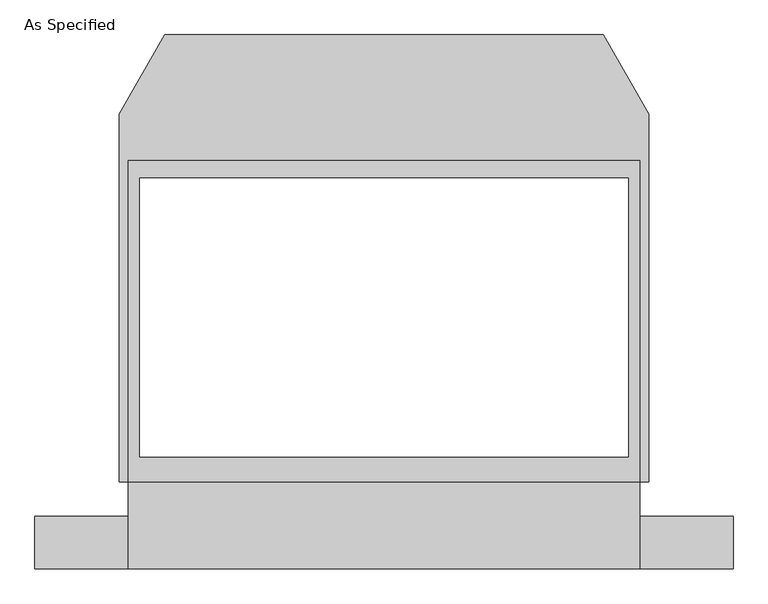
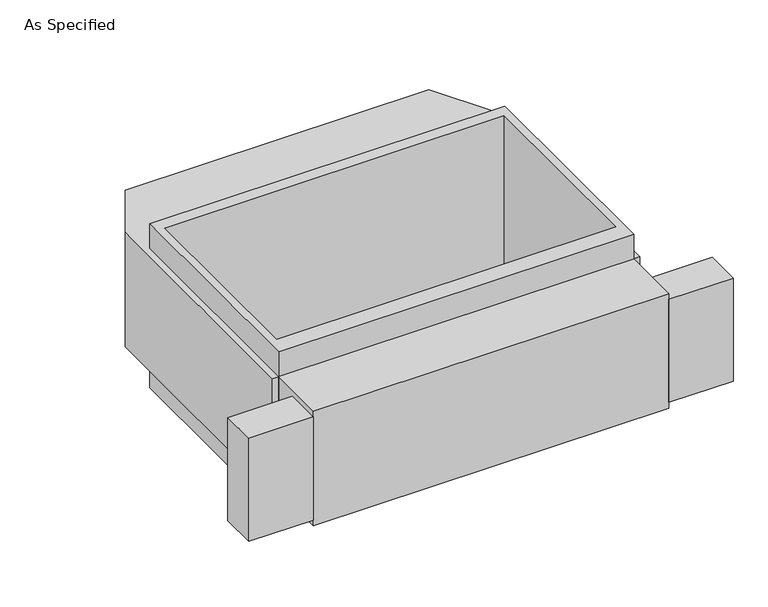
"""IFC4 building model written with IfcOpenShell, lengths in millimetres: proxy geometry, As Specified."""

import ifcopenshell
import ifcopenshell.guid

model = None  # the IFC model being written
_history = None  # IfcOwnerHistory: only IFC2X3 demands one
_inside = {}  # id of a spatial element -> (the spatial element, [elements in it])
_under = {}  # id of a project, library or spatial element -> (it, [spatial elements below it])
_declared = {}  # id of a project -> (the project, [libraries it declares])
_typed = {}  # id of a type object -> (the type object, [elements of that type])
_made_of = {}  # id of a material, layer set ... -> (it, [elements and type objects made of it])


def new_model(schema):
    """Start an empty IFC model of exactly this schema.

    Asked for "IFC4X3", IfcOpenShell would pick the latest addendum, in which some entities
    have other attributes; the version numbers below select the first issue.
    IFC2X3 requires an IfcOwnerHistory on every rooted entity: one is made here for all.
    """
    global model, _history
    if schema == "IFC4X3":
        model = ifcopenshell.file(schema_version=(4, 3, 0, 0))
    else:
        model = ifcopenshell.file(schema=schema)
    _inside.clear()
    _under.clear()
    _declared.clear()
    _typed.clear()
    _made_of.clear()
    _history = None
    if model.schema == "IFC2X3":
        org = make("IfcOrganization", Name="unknown")
        user = make(
            "IfcPersonAndOrganization",
            ThePerson=make("IfcPerson", FamilyName="unknown"),
            TheOrganization=org,
        )
        app = make(
            "IfcApplication",
            ApplicationDeveloper=org,
            Version="unknown",
            ApplicationFullName="unknown",
            ApplicationIdentifier="unknown",
        )
        _history = make(
            "IfcOwnerHistory",
            OwningUser=user,
            OwningApplication=app,
            ChangeAction="ADDED",
            CreationDate=0,
        )
    return model


def make(cls, **values):
    """One entity of the class cls with the attributes given. An attribute that is None is left unset."""
    return model.create_entity(
        cls, **{name: value for name, value in values.items() if value is not None}
    )


def rooted(cls, **values):
    """An entity with a GlobalId (a new one), such as an element, a storey or a relation."""
    return make(cls, GlobalId=ifcopenshell.guid.new(), OwnerHistory=_history, **values)


def si_unit(unit_type, name, prefix=None):
    """IfcSIUnit, for example si_unit("LENGTHUNIT", "METRE", prefix="MILLI")."""
    return make("IfcSIUnit", UnitType=unit_type, Prefix=prefix, Name=name)


def assignment(units):
    """IfcUnitAssignment: the units of a project."""
    return None if units is None else make("IfcUnitAssignment", Units=units)


def point(xyz):
    """IfcCartesianPoint."""
    return None if xyz is None else make("IfcCartesianPoint", Coordinates=xyz)


def direction(xyz):
    """IfcDirection."""
    return None if xyz is None else make("IfcDirection", DirectionRatios=xyz)


def frame(location, z_axis=None, x_axis=None):
    """IfcAxis2Placement3D, a coordinate frame: its origin and axes. An axis left out is left unset."""
    return make(
        "IfcAxis2Placement3D",
        Location=point(location),
        Axis=direction(z_axis),
        RefDirection=direction(x_axis),
    )


def origin():
    """The frame at (0, 0, 0) with its axes left unset."""
    return frame((0.0, 0.0, 0.0))


def place(relative_to, where):
    """IfcLocalPlacement: puts the frame where relative to a parent placement (None: the world)."""
    return make(
        "IfcLocalPlacement", PlacementRelTo=relative_to, RelativePlacement=where
    )


def context(
    kind, dimensions, precision=None, world=None, true_north=None, identifier=None
):
    """IfcGeometricRepresentationContext, for example the 3D "Model" context."""
    return make(
        "IfcGeometricRepresentationContext",
        ContextIdentifier=identifier,
        ContextType=kind,
        CoordinateSpaceDimension=dimensions,
        Precision=precision,
        WorldCoordinateSystem=world,
        TrueNorth=true_north,
    )


def project(units=None, contexts=None):
    """IfcProject with its units and contexts."""
    return rooted(
        "IfcProject",
        Name="project",
        RepresentationContexts=contexts,
        UnitsInContext=assignment(units),
    )


def spatial(cls, under=None, at=None, **own):
    """A site, building, storey or space (cls), placed at a placement, below another one or the project."""
    s = rooted(cls, ObjectPlacement=at, **own)
    if under is not None:
        _under.setdefault(under.id(), (under, []))[1].append(s)
    return s


def polyline(points):
    """IfcPolyline through the points."""
    return make("IfcPolyline", Points=[point(p) for p in points])


def outline(outer, holes=None, kind="AREA"):
    """IfcArbitraryClosedProfileDef: a profile drawn as a closed curve; with holes, ...WithVoids."""
    if holes is None:
        return make("IfcArbitraryClosedProfileDef", ProfileType=kind, OuterCurve=outer)
    return make(
        "IfcArbitraryProfileDefWithVoids",
        ProfileType=kind,
        OuterCurve=outer,
        InnerCurves=holes,
    )


def extrude(swept, where, along, depth):
    """IfcExtrudedAreaSolid: the profile swept, set in the frame where, extruded along a direction by depth."""
    return make(
        "IfcExtrudedAreaSolid",
        SweptArea=swept,
        Position=where,
        ExtrudedDirection=direction(along),
        Depth=depth,
    )


def shape(context_of_items, identifier, shape_type, items):
    """IfcShapeRepresentation: the items that make up one representation, for example the "Body"."""
    return make(
        "IfcShapeRepresentation",
        ContextOfItems=context_of_items,
        RepresentationIdentifier=identifier,
        RepresentationType=shape_type,
        Items=items,
    )


def source(mapping_origin, context_of_items, identifier, shape_type, items):
    """IfcRepresentationMap: a shape defined once, which mapped items show again and again."""
    return make(
        "IfcRepresentationMap",
        MappingOrigin=mapping_origin,
        MappedRepresentation=shape(context_of_items, identifier, shape_type, items),
    )


def transform(
    local_origin,
    x_axis=None,
    y_axis=None,
    z_axis=None,
    scale=None,
    scale2=None,
    scale3=None,
    uniform=True,
):
    """IfcCartesianTransformationOperator3D, or its non-uniform kind. x_axis, y_axis, z_axis: its Axis1, 2, 3."""
    if uniform:
        return make(
            "IfcCartesianTransformationOperator3D",
            Axis1=direction(x_axis),
            Axis2=direction(y_axis),
            LocalOrigin=point(local_origin),
            Scale=scale,
            Axis3=direction(z_axis),
        )
    return make(
        "IfcCartesianTransformationOperator3DnonUniform",
        Axis1=direction(x_axis),
        Axis2=direction(y_axis),
        LocalOrigin=point(local_origin),
        Scale=scale,
        Axis3=direction(z_axis),
        Scale2=scale2,
        Scale3=scale3,
    )


def mapped(mapping_source, mapping_target):
    """IfcMappedItem: shows the shape of a source again, moved by a transform."""
    return make(
        "IfcMappedItem", MappingSource=mapping_source, MappingTarget=mapping_target
    )


def made_of(thing, what):
    """Note that an element or type object is made of a material, layer set ...; save() writes the relation."""
    if what is not None:
        _made_of.setdefault(what.id(), (what, []))[1].append(thing)
    return thing


def element(
    cls,
    number,
    at=None,
    inside=None,
    cuts=None,
    type_object=None,
    material=None,
    context=None,
    identifier="Body",
    shape_type=None,
    held_by="IfcProductDefinitionShape",
    body=None,
    shapes=None,
    **own,
):
    """One element of the class cls, such as IfcWall. Its Tag is "e" and its number.

    at: its placement. inside: the storey or other place that contains it. cuts: it is an
    opening in that element (IfcRelVoidsElement). A single representation is given by context,
    identifier, shape_type and body (its items); several are given by shapes. held_by: the class
    of the entity that holds the representations. save() writes the other relations.
    """
    e = rooted(cls, Tag="e%d" % number, ObjectPlacement=at, **own)
    if body is not None:
        shapes = [shape(context, identifier, shape_type, body)]
    if shapes is not None:
        e.Representation = make(held_by, Representations=shapes)
    if inside is not None:
        _inside.setdefault(inside.id(), (inside, []))[1].append(e)
    if cuts is not None:
        rooted(
            "IfcRelVoidsElement", RelatingBuildingElement=cuts, RelatedOpeningElement=e
        )
    if type_object is not None:
        _typed.setdefault(type_object.id(), (type_object, []))[1].append(e)
    return made_of(e, material)


def aggregate(whole, parts):
    """IfcRelAggregates: a whole, such as a stair, and the parts it consists of."""
    return rooted("IfcRelAggregates", RelatingObject=whole, RelatedObjects=parts)


def save(model, path):
    """Write the relations noted so far, then the file.

    IfcRelAggregates (storeys below a building ...), IfcRelContainedInSpatialStructure (elements
    in a storey), IfcRelDefinesByType, IfcRelAssociatesMaterial and IfcRelDeclares: one each for
    every whole, place, type object, material and project.
    """
    for whole, parts in _under.values():
        aggregate(whole, parts)
    for where, things in _inside.values():
        rooted(
            "IfcRelContainedInSpatialStructure",
            RelatedElements=things,
            RelatingStructure=where,
        )
    for kind, things in _typed.values():
        rooted("IfcRelDefinesByType", RelatedObjects=things, RelatingType=kind)
    for what, things in _made_of.values():
        rooted("IfcRelAssociatesMaterial", RelatedObjects=things, RelatingMaterial=what)
    for by, libraries in _declared.values():
        rooted("IfcRelDeclares", RelatingContext=by, RelatedDefinitions=libraries)
    model.write(path)


def as_specified_a40bda4d(model_context):
    return source(origin(), model_context, "Body", "SweptSolid", [
        extrude(outline(polyline([(1117.6, -1166.5148438), (1117.6, -937.9148438), (1524.0, -937.9148438), (1524.0, -1166.5148438), (1117.6, -1166.5148438)])), frame((0.0, 0.0, -749.3), z_axis=(0.0, 0.0, 1.0), x_axis=(1.0, 0.0, 0.0)), (0.0, 0.0, 1.0), 685.8),
        extrude(outline(polyline([(-1117.6, -1166.5148438), (-1524.0, -1166.5148438), (-1524.0, -937.9148438), (-1117.6, -937.9148438), (-1117.6, -1166.5148438)])), frame((0.0, 0.0, -749.3), z_axis=(0.0, 0.0, 1.0), x_axis=(1.0, 0.0, 0.0)), (0.0, 0.0, 1.0), 685.8),
        extrude(outline(polyline([(1117.6, 617.8351562), (1117.6, -785.5148438), (-1117.6, -785.5148438), (-1117.6, 617.8351562), (1117.6, 617.8351562)]), holes=[polyline([(-1066.8, 541.6748437), (-1066.8, -677.5251563), (1066.8, -677.5251563), (1066.8, 541.6748437), (-1066.8, 541.6748437)])]), frame((0.0, 0.0, -952.5), z_axis=(0.0, 0.0, 1.0), x_axis=(1.0, 0.0, 0.0)), (0.0, 0.0, 1.0), 1092.2),
        extrude(outline(polyline([(1117.6, -1166.5148438), (-1117.6, -1166.5148438), (-1117.6, -785.5148438), (-1155.7, -785.5148438), (-1155.7, 821.0748437), (-956.260123, 1166.5148437), (956.260123, 1166.5148437), (1155.7, 821.0748437), (1155.7, -785.5148438), (1117.6, -785.5148438), (1117.6, -1166.5148438)]), holes=[polyline([(1066.8, -677.5251563), (1066.8, 541.6748437), (-1066.8, 541.6748437), (-1066.8, -677.5251563), (1066.8, -677.5251563)])]), frame((0.0, 0.0, -787.4), z_axis=(0.0, 0.0, 1.0), x_axis=(1.0, 0.0, 0.0)), (0.0, 0.0, 1.0), 762.0),
    ])


if __name__ == "__main__":
    model = new_model("IFC4")
    model_context = context("Model", 3, world=origin())
    ifc_project = project(units=[si_unit("LENGTHUNIT", "METRE", prefix="MILLI")], contexts=[model_context])
    site = spatial("IfcSite", under=ifc_project)
    building = spatial("IfcBuilding", under=site)
    placement = place(None, origin())
    as_specified_shape = as_specified_a40bda4d(model_context)
    element("IfcBuildingElementProxy", 1, Name="As Specified", ObjectType="As Specified", at=placement, inside=building, context=model_context, shape_type="MappedRepresentation", body=[
        mapped(as_specified_shape, transform((0.0, 0.0, 0.0), x_axis=(1.0, 0.0, 0.0), y_axis=(0.0, 1.0, 0.0), z_axis=(0.0, 0.0, 1.0))),
    ])
    save(model, "model.ifc")
